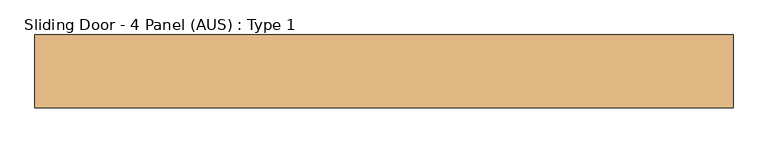
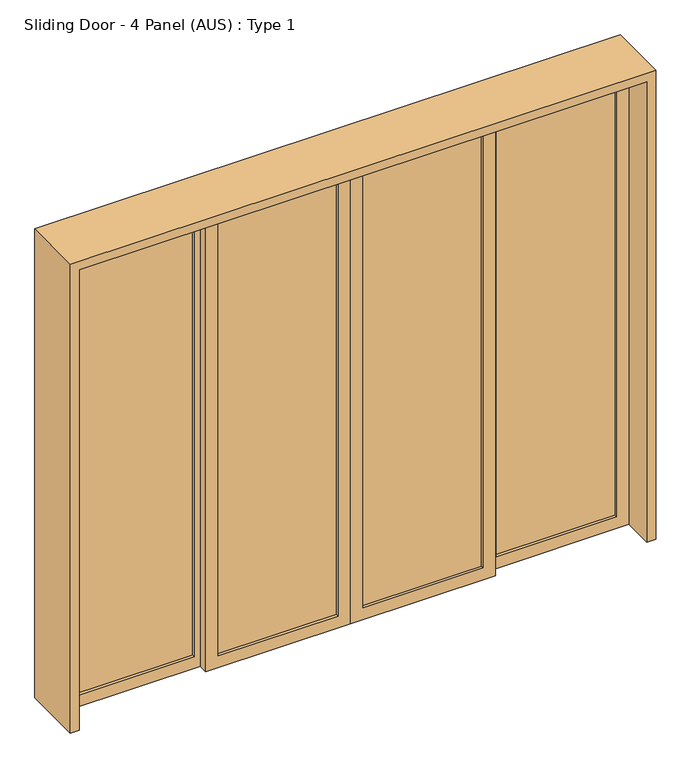
"""IFC4 building model written with IfcOpenShell, lengths in millimetres: door geometry, Sliding Door - 4 Panel (AUS) : Type 1."""

from ifc_helpers import new_model, si_unit, frame, origin, place, context, project, spatial, polyline, outline, extrude, source, transform, mapped, element, save


def sliding_door_4_panel_aus_type_1_471672a5(model_context):
    return source(origin(), model_context, "Body", "SweptSolid", [
        extrude(outline(polyline([(1280.7580012, 13.3333333), (752.0080012, 13.3333333), (752.0080012, 26.6666667), (1280.7580012, 26.6666667), (1280.7580012, 13.3333333)])), frame((0.0, 0.0, 55.0), z_axis=(0.0, 0.0, 1.0), x_axis=(1.0, 0.0, 0.0)), (0.0, 0.0, 1.0), 2033.0),
        extrude(outline(polyline([(0.0, 1335.7580012), (2143.0, 1335.7580012), (2143.0, 697.0080012), (0.0, 697.0080012), (0.0, 1335.7580012)]), holes=[polyline([(55.0, 1280.7580012), (55.0, 752.0080012), (2088.0, 752.0080012), (2088.0, 1280.7580012), (55.0, 1280.7580012)])]), frame((0.0, 0.0, 0.0), z_axis=(0.0, 1.0, 0.0), x_axis=(0.0, 0.0, 1.0)), (0.0, 0.0, 1.0), 40.0),
        extrude(outline(polyline([(669.5080012, -26.6666667), (140.7580012, -26.6666667), (140.7580012, -13.3333333), (669.5080012, -13.3333333), (669.5080012, -26.6666667)])), frame((0.0, 0.0, 55.0), z_axis=(0.0, 0.0, 1.0), x_axis=(1.0, 0.0, 0.0)), (0.0, 0.0, 1.0), 2033.0),
        extrude(outline(polyline([(0.0, 724.5080012), (2143.0, 724.5080012), (2143.0, 85.7580012), (0.0, 85.7580012), (0.0, 724.5080012)]), holes=[polyline([(55.0, 669.5080012), (55.0, 140.7580012), (2088.0, 140.7580012), (2088.0, 669.5080012), (55.0, 669.5080012)])]), frame((0.0, -40.0, 0.0), z_axis=(0.0, 1.0, 0.0), x_axis=(0.0, 0.0, 1.0)), (0.0, 0.0, 1.0), 40.0),
        extrude(outline(polyline([(30.7580012, -26.6666667), (-497.9919988, -26.6666667), (-497.9919988, -13.3333333), (30.7580012, -13.3333333), (30.7580012, -26.6666667)])), frame((0.0, 0.0, 55.0), z_axis=(0.0, 0.0, 1.0), x_axis=(1.0, 0.0, 0.0)), (0.0, 0.0, 1.0), 2033.0),
        extrude(outline(polyline([(0.0, 85.7580012), (2143.0, 85.7580012), (2143.0, -552.9919988), (0.0, -552.9919988), (0.0, 85.7580012)]), holes=[polyline([(55.0, 30.7580012), (55.0, -497.9919988), (2088.0, -497.9919988), (2088.0, 30.7580012), (55.0, 30.7580012)])]), frame((0.0, -40.0, 0.0), z_axis=(0.0, 1.0, 0.0), x_axis=(0.0, 0.0, 1.0)), (0.0, 0.0, 1.0), 40.0),
        extrude(outline(polyline([(-580.4919988, 13.3333333), (-1109.2419988, 13.3333333), (-1109.2419988, 26.6666667), (-580.4919988, 26.6666667), (-580.4919988, 13.3333333)])), frame((0.0, 0.0, 55.0), z_axis=(0.0, 0.0, 1.0), x_axis=(1.0, 0.0, 0.0)), (0.0, 0.0, 1.0), 2033.0),
        extrude(outline(polyline([(0.0, -525.4919988), (2143.0, -525.4919988), (2143.0, -1164.2419988), (0.0, -1164.2419988), (0.0, -525.4919988)]), holes=[polyline([(55.0, -580.4919988), (55.0, -1109.2419988), (2088.0, -1109.2419988), (2088.0, -580.4919988), (55.0, -580.4919988)])]), frame((0.0, 0.0, 0.0), z_axis=(0.0, 1.0, 0.0), x_axis=(0.0, 0.0, 1.0)), (0.0, 0.0, 1.0), 40.0),
        extrude(outline(polyline([(0.0, -1164.2419988), (2143.0, -1164.2419988), (2143.0, 1335.7580012), (0.0, 1335.7580012), (0.0, 1375.7580012), (2183.0, 1375.7580012), (2183.0, -1204.2419988), (0.0, -1204.2419988), (0.0, -1164.2419988)])), frame((0.0, -135.0, 0.0), z_axis=(0.0, 1.0, 0.0), x_axis=(0.0, 0.0, 1.0)), (0.0, 0.0, 1.0), 270.0),
    ])


if __name__ == "__main__":
    model = new_model("IFC4")
    model_context = context("Model", 3, world=origin())
    ifc_project = project(units=[si_unit("LENGTHUNIT", "METRE", prefix="MILLI")], contexts=[model_context])
    site = spatial("IfcSite", under=ifc_project)
    building = spatial("IfcBuilding", under=site)
    placement = place(None, origin())
    sliding_door_4_panel_aus_type_1_shape = sliding_door_4_panel_aus_type_1_471672a5(model_context)
    element("IfcDoor", 1, ObjectType="Sliding Door - 4 Panel (AUS) : Type 1", at=placement, inside=building, context=model_context, shape_type="MappedRepresentation", body=[
        mapped(sliding_door_4_panel_aus_type_1_shape, transform((0.0, 0.0, 0.0), x_axis=(1.0, 0.0, 0.0), y_axis=(0.0, 1.0, 0.0), z_axis=(0.0, 0.0, 1.0))),
    ])
    save(model, "model.ifc")
